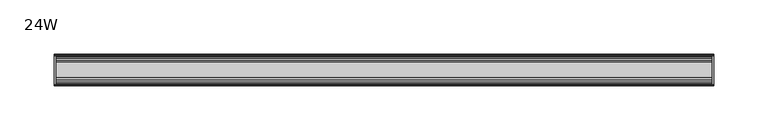
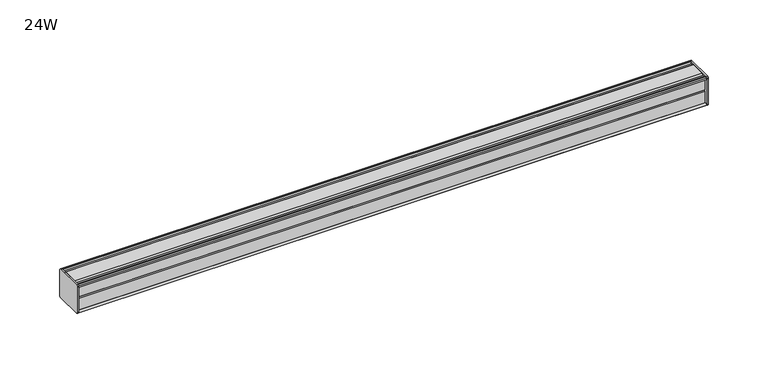
"""IFC4 building model written with IfcOpenShell, lengths in millimetres: furniture geometry, 24W."""

from ifc_helpers import new_model, si_unit, frame, origin, place, context, project, spatial, circle_curve, source, transform, mapped, element, save
from ifc_brep_helpers import plane_surface, cylinder_surface, advanced_brep


def furniture_24w_0eafdb13(model_context):
    return source(origin(), model_context, "Body", "AdvancedBrep", [
        advanced_brep(
        [(303.2125, 14.5851562, 1246.9436262), (303.2125, 14.5851562, 1220.7932877), (303.2125, 14.4138595, 1219.9873997), (303.2125, 13.8374434, 1219.4109837), (303.2125, 12.9019306, 1219.1603131), (303.2125, -13.4067434, 1219.1603131), (303.2125, -14.3040014, 1220.0575711), (303.2125, -14.5851563, 1220.8259798), (303.2125, -14.5851563, 1246.7443327), (303.2125, -14.3040014, 1247.5127414), (303.2125, -13.4464303, 1248.3703125), (303.2125, 13.0500437, 1248.3703125), (303.2125, 13.8374434, 1248.1593288), (303.2125, 14.4138595, 1247.5829128), (304.8, 14.6248431, 1246.7955131), (304.8, 14.4138595, 1247.5829128), (304.8, 13.8374434, 1248.1593288), (304.8, 13.0500437, 1248.3703125), (304.8, -13.4464303, 1248.3703125), (304.8, -14.3040014, 1247.5127414), (304.8, -14.5851563, 1246.7443327), (304.8, -14.5851563, 1220.8259798), (304.8, -14.3040014, 1220.0575711), (304.8, -13.4067434, 1219.1603131), (304.8, 12.9019306, 1219.1603131), (304.8, 13.8374434, 1219.4109837), (304.8, 14.4138595, 1219.9873997), (304.8, 14.5851562, 1220.7932877)],
        [
            (0, 1),
            (1, 2),
            (2, 3),
            (3, 4),
            (4, 5),
            (5, 6),
            (6, 7, circle_curve(frame((303.2125, -13.3945313, 1220.8259798), z_axis=(-1.0, 0.0, 0.0), x_axis=(0.0, 1.0, 0.0)), 1.190625)),
            (7, 8),
            (8, 9, circle_curve(frame((303.2125, -13.3945313, 1246.7443327), z_axis=(-1.0, 0.0, 0.0), x_axis=(0.0, 1.0, 0.0)), 1.190625)),
            (9, 10),
            (10, 11),
            (11, 12),
            (12, 13),
            (13, 0),
            (14, 15),
            (15, 16),
            (16, 17),
            (17, 18),
            (18, 19),
            (19, 20, circle_curve(frame((304.8, -13.3945313, 1246.7443327), z_axis=(1.0, 0.0, 0.0), x_axis=(0.0, 1.0, 0.0)), 1.190625)),
            (20, 21),
            (21, 22, circle_curve(frame((304.8, -13.3945313, 1220.8259798), z_axis=(1.0, 0.0, 0.0), x_axis=(0.0, 1.0, 0.0)), 1.190625)),
            (22, 23),
            (23, 24),
            (24, 25),
            (25, 26),
            (26, 27),
            (27, 14),
            (13, 15),
            (14, 0),
            (12, 16),
            (11, 17),
            (10, 18),
            (9, 19),
            (8, 20),
            (7, 21),
            (6, 22),
            (5, 23),
            (4, 24),
            (3, 25),
            (2, 26),
            (1, 27),
        ],
        [
            plane_surface(frame((303.2125, 14.5851562, 1220.7932877), z_axis=(-1.0, 0.0, 0.0), x_axis=(0.0, 0.0, -1.0))),
            plane_surface(frame((304.8, 14.5851562, 1220.7932877), z_axis=(1.0, 0.0, 0.0), x_axis=(0.0, 0.0, 1.0))),
            plane_surface(frame((303.2125, 14.4138595, 1247.5829128), z_axis=(0.0, 0.9659256560349851, 0.25881968049857335), x_axis=(1.0, 0.0, 0.0))),
            plane_surface(frame((303.2125, 13.8374434, 1248.1593288), z_axis=(0.0, 0.7071067811866345, 0.7071067811864606), x_axis=(1.0, 0.0, 0.0))),
            plane_surface(frame((303.2125, 13.0500437, 1248.3703125), z_axis=(0.0, 0.2588196804711877, 0.9659256560423232), x_axis=(1.0, 0.0, 0.0))),
            plane_surface(frame((303.2125, -13.4464303, 1248.3703125), z_axis=(0.0, 0.0, 1.0), x_axis=(1.0, 0.0, 0.0))),
            plane_surface(frame((303.2125, -14.3040014, 1247.5127414), z_axis=(0.0, -0.70710678117674, 0.7071067811963553), x_axis=(1.0, 0.0, 0.0))),
            cylinder_surface(frame((304.8, -13.3945313, 1246.7443327), z_axis=(-1.0, 0.0, 0.0), x_axis=(0.0, 1.0, 0.0)), 1.190625),
            plane_surface(frame((303.2125, -14.5851563, 1220.8259798), z_axis=(0.0, -1.0, 0.0), x_axis=(1.0, 0.0, 0.0))),
            cylinder_surface(frame((304.8, -13.3945313, 1220.8259798), z_axis=(-1.0, 0.0, 0.0), x_axis=(0.0, 1.0, 0.0)), 1.190625),
            plane_surface(frame((303.2125, -13.4067434, 1219.1603131), z_axis=(0.0, -0.7071067811916553, -0.7071067811814398), x_axis=(1.0, 0.0, 0.0))),
            plane_surface(frame((303.2125, 12.9019306, 1219.1603131), z_axis=(0.0, 0.0, -1.0), x_axis=(1.0, 0.0, 0.0))),
            plane_surface(frame((303.2125, 13.8374434, 1219.4109837), z_axis=(0.0, 0.2588196804985645, -0.9659256560349875), x_axis=(1.0, 0.0, 0.0))),
            plane_surface(frame((303.2125, 14.4138595, 1219.9873997), z_axis=(0.0, 0.7071067811865204, -0.7071067811865748), x_axis=(1.0, 0.0, 0.0))),
            plane_surface(frame((303.2125, 14.5851562, 1220.7932877), z_axis=(0.0, 0.9781476007310527, -0.207911690830711), x_axis=(1.0, 0.0, 0.0))),
            plane_surface(frame((303.2125, 14.5851562, 1246.9436262), z_axis=(0.0, 1.0, 0.0), x_axis=(1.0, 0.0, 0.0))),
        ],
        [
            (0, [[1, 2, 3, 4, 5, 6, 7, 8, 9, 10, 11, 12, 13, 14]]),
            (1, [[15, 16, 17, 18, 19, 20, 21, 22, 23, 24, 25, 26, 27, 28]]),
            (2, [[-14, 29, -15, 30]]),
            (3, [[-13, 31, -16, -29]]),
            (4, [[-12, 32, -17, -31]]),
            (5, [[-11, 33, -18, -32]]),
            (6, [[-10, 34, -19, -33]]),
            (7, [[-9, 35, -20, -34]]),
            (8, [[-8, 36, -21, -35]]),
            (9, [[-7, 37, -22, -36]]),
            (10, [[-6, 38, -23, -37]]),
            (11, [[-5, 39, -24, -38]]),
            (12, [[-4, 40, -25, -39]]),
            (13, [[-3, 41, -26, -40]]),
            (14, [[-2, 42, -27, -41]]),
            (15, [[-1, -30, -28, -42]]),
        ],
    ),
        advanced_brep(
        [(-303.2125, 14.6248431, 1246.7955131), (-303.2125, 14.4138595, 1247.5829128), (-303.2125, 13.8374434, 1248.1593288), (-303.2125, 13.0500437, 1248.3703125), (-303.2125, -13.4464303, 1248.3703125), (-303.2125, -14.3040014, 1247.5127414), (-303.2125, -14.5851563, 1246.7443327), (-303.2125, -14.5851563, 1220.8259798), (-303.2125, -14.3040014, 1220.0575711), (-303.2125, -13.4067434, 1219.1603131), (-303.2125, 12.9019306, 1219.1603131), (-303.2125, 13.8374434, 1219.4109837), (-303.2125, 14.4138595, 1219.9873997), (-303.2125, 14.5851562, 1220.7932877), (-304.8, 14.5851562, 1246.9436262), (-304.8, 14.5851562, 1220.7932877), (-304.8, 14.4138595, 1219.9873997), (-304.8, 13.8374434, 1219.4109837), (-304.8, 12.9019306, 1219.1603131), (-304.8, -13.4067434, 1219.1603131), (-304.8, -14.3040014, 1220.0575711), (-304.8, -14.5851563, 1220.8259798), (-304.8, -14.5851563, 1246.7443327), (-304.8, -14.3040014, 1247.5127414), (-304.8, -13.4464303, 1248.3703125), (-304.8, 13.0500437, 1248.3703125), (-304.8, 13.8374434, 1248.1593288), (-304.8, 14.4138595, 1247.5829128)],
        [
            (0, 1),
            (1, 2),
            (2, 3),
            (3, 4),
            (4, 5),
            (5, 6, circle_curve(frame((-303.2125, -13.3945313, 1246.7443327), z_axis=(1.0, 0.0, 0.0), x_axis=(0.0, 1.0, 0.0)), 1.190625)),
            (6, 7),
            (7, 8, circle_curve(frame((-303.2125, -13.3945313, 1220.8259798), z_axis=(1.0, 0.0, 0.0), x_axis=(0.0, 1.0, 0.0)), 1.190625)),
            (8, 9),
            (9, 10),
            (10, 11),
            (11, 12),
            (12, 13),
            (13, 0),
            (14, 15),
            (15, 16),
            (16, 17),
            (17, 18),
            (18, 19),
            (19, 20),
            (20, 21, circle_curve(frame((-304.8, -13.3945313, 1220.8259798), z_axis=(-1.0, 0.0, 0.0), x_axis=(0.0, 1.0, 0.0)), 1.190625)),
            (21, 22),
            (22, 23, circle_curve(frame((-304.8, -13.3945313, 1246.7443327), z_axis=(-1.0, 0.0, 0.0), x_axis=(0.0, 1.0, 0.0)), 1.190625)),
            (23, 24),
            (24, 25),
            (25, 26),
            (26, 27),
            (27, 14),
            (0, 14),
            (27, 1),
            (26, 2),
            (25, 3),
            (24, 4),
            (23, 5),
            (22, 6),
            (21, 7),
            (20, 8),
            (19, 9),
            (18, 10),
            (17, 11),
            (16, 12),
            (15, 13),
        ],
        [
            plane_surface(frame((-303.2125, 14.6248431, 1246.7955131), z_axis=(1.0, 0.0, 0.0), x_axis=(0.0, -0.2588196804390474, 0.965925656050935))),
            plane_surface(frame((-304.8, 14.6248431, 1246.7955131), z_axis=(-1.0, 0.0, 0.0), x_axis=(0.0, 0.2588196804390474, -0.965925656050935))),
            plane_surface(frame((-303.2125, 14.6248431, 1246.7955131), z_axis=(0.0, 0.965925656050935, 0.2588196804390474), x_axis=(-1.0, 0.0, 0.0))),
            plane_surface(frame((-303.2125, 14.4138595, 1247.5829128), z_axis=(0.0, 0.7071067810676273, 0.7071067813054679), x_axis=(-1.0, 0.0, 0.0))),
            plane_surface(frame((-303.2125, 13.8374434, 1248.1593288), z_axis=(0.0, 0.25881968048355775, 0.9659256560390086), x_axis=(-1.0, 0.0, 0.0))),
            plane_surface(frame((-303.2125, 13.0500437, 1248.3703125), z_axis=(0.0, 0.0, 1.0), x_axis=(-1.0, 0.0, 0.0))),
            plane_surface(frame((-303.2125, -13.4464303, 1248.3703125), z_axis=(0.0, -0.7071067811880228, 0.7071067811850722), x_axis=(-1.0, 0.0, 0.0))),
            cylinder_surface(frame((-304.8, -13.3945313, 1246.7443327), z_axis=(1.0, 0.0, 0.0), x_axis=(0.0, 1.0, 0.0)), 1.190625),
            plane_surface(frame((-303.2125, -14.5851563, 1246.7443327), z_axis=(0.0, -1.0, 0.0), x_axis=(-1.0, 0.0, 0.0))),
            cylinder_surface(frame((-304.8, -13.3945313, 1220.8259798), z_axis=(1.0, 0.0, 0.0), x_axis=(0.0, 1.0, 0.0)), 1.190625),
            plane_surface(frame((-303.2125, -14.3040014, 1220.0575711), z_axis=(0.0, -0.7071067811865341, -0.7071067811865609), x_axis=(-1.0, 0.0, 0.0))),
            plane_surface(frame((-303.2125, -13.4067434, 1219.1603131), z_axis=(0.0, 0.0, -1.0), x_axis=(-1.0, 0.0, 0.0))),
            plane_surface(frame((-303.2125, 12.9019306, 1219.1603131), z_axis=(0.0, 0.25881968049856513, -0.9659256560349874), x_axis=(-1.0, 0.0, 0.0))),
            plane_surface(frame((-303.2125, 13.8374434, 1219.4109837), z_axis=(0.0, 0.707106781186519, -0.7071067811865761), x_axis=(-1.0, 0.0, 0.0))),
            plane_surface(frame((-303.2125, 14.4138595, 1219.9873997), z_axis=(0.0, 0.9781476007314348, -0.20791169082891317), x_axis=(-1.0, 0.0, 0.0))),
            plane_surface(frame((-303.2125, 14.5851562, 1220.7932877), z_axis=(0.0, 1.0, 0.0), x_axis=(-1.0, 0.0, 0.0))),
        ],
        [
            (0, [[1, 2, 3, 4, 5, 6, 7, 8, 9, 10, 11, 12, 13, 14]]),
            (1, [[15, 16, 17, 18, 19, 20, 21, 22, 23, 24, 25, 26, 27, 28]]),
            (2, [[-1, 29, -28, 30]]),
            (3, [[-2, -30, -27, 31]]),
            (4, [[-3, -31, -26, 32]]),
            (5, [[-4, -32, -25, 33]]),
            (6, [[-5, -33, -24, 34]]),
            (7, [[-6, -34, -23, 35]]),
            (8, [[-7, -35, -22, 36]]),
            (9, [[-8, -36, -21, 37]]),
            (10, [[-9, -37, -20, 38]]),
            (11, [[-10, -38, -19, 39]]),
            (12, [[-11, -39, -18, 40]]),
            (13, [[-12, -40, -17, 41]]),
            (14, [[-13, -41, -16, 42]]),
            (15, [[-14, -42, -15, -29]]),
        ],
    ),
        advanced_brep(
        [(303.2125, -7.3748315, 1248.3703125), (303.2125, -8.9105708, 1247.3395796), (303.2125, -10.7601399, 1247.3395796), (303.2125, -12.2958792, 1248.3703125), (303.2125, -13.4464303, 1248.3703125), (303.2125, -14.3040014, 1247.5127414), (303.2125, -13.3945313, 1245.5537077), (303.2125, -13.3945313, 1246.465312), (303.2125, -12.2039063, 1246.465312), (303.2125, -12.2039063, 1234.5590632), (303.2125, -11.4101564, 1233.7653134), (303.2125, -12.2039063, 1232.9715636), (303.2125, -12.2039063, 1221.0653131), (303.2125, -13.3945313, 1221.0653131), (303.2125, -13.3945313, 1222.0166048), (303.2125, -14.3040014, 1220.0575711), (303.2125, -13.4067434, 1219.1603131), (303.2125, -12.2958792, 1219.1603131), (303.2125, -10.7601399, 1220.1910471), (303.2125, -8.9105708, 1220.1910471), (303.2125, -7.4339628, 1219.2), (303.2125, 7.4145184, 1219.2), (303.2125, 8.9502576, 1220.2307329), (303.2125, 10.7998291, 1220.2307329), (303.2125, 12.2275037, 1219.2), (303.2125, 13.0500437, 1219.2), (303.2125, 13.8374434, 1219.4109837), (303.2125, 14.4138595, 1219.9873997), (303.2125, 14.5851562, 1220.7932877), (303.2125, 14.5851562, 1246.9436262), (303.2125, 14.4138595, 1247.5829128), (303.2125, 13.8374434, 1248.1593288), (303.2125, 13.0500437, 1248.3703125), (303.2125, 12.2275037, 1248.3703125), (303.2125, 10.7998291, 1247.3395796), (303.2125, 8.9502576, 1247.3395796), (303.2125, 7.4145184, 1248.3703125), (-303.2125, -7.3748315, 1248.3703125), (-303.2125, 7.4145184, 1248.3703125), (-303.2125, 8.9502576, 1247.3395796), (-303.2125, 10.7998291, 1247.3395796), (-303.2125, 12.2275037, 1248.3703125), (-303.2125, 13.0500437, 1248.3703125), (-303.2125, 13.8374434, 1248.1593288), (-303.2125, 14.4138595, 1247.5829128), (-303.2125, 14.6248431, 1246.7955131), (-303.2125, 14.5851562, 1220.7932877), (-303.2125, 14.4138595, 1219.9873997), (-303.2125, 13.8374434, 1219.4109837), (-303.2125, 13.0500437, 1219.2), (-303.2125, 12.2275037, 1219.2), (-303.2125, 10.7998291, 1220.2307329), (-303.2125, 8.9502576, 1220.2307329), (-303.2125, 7.4145184, 1219.2), (-303.2125, -7.4339628, 1219.2), (-303.2125, -8.9105708, 1220.1910471), (-303.2125, -10.7601399, 1220.1910471), (-303.2125, -12.2958792, 1219.1603131), (-303.2125, -13.4067434, 1219.1603131), (-303.2125, -14.3040014, 1220.0575711), (-303.2125, -13.3945313, 1222.0166048), (-303.2125, -13.3945313, 1221.0653131), (-303.2125, -12.2039063, 1221.0653131), (-303.2125, -12.2039063, 1232.9715636), (-303.2125, -11.4101564, 1233.7653134), (-303.2125, -12.2039063, 1234.5590632), (-303.2125, -12.2039063, 1246.465312), (-303.2125, -13.3945313, 1246.465312), (-303.2125, -13.3945313, 1245.5537077), (-303.2125, -14.3040014, 1247.5127414), (-303.2125, -13.4464303, 1248.3703125), (-303.2125, -12.2958792, 1248.3703125), (-303.2125, -10.7601399, 1247.3395796), (-303.2125, -8.9105708, 1247.3395796)],
        [
            (0, 1),
            (1, 2),
            (2, 3),
            (3, 4),
            (4, 5),
            (5, 6, circle_curve(frame((303.2125, -13.3945313, 1246.7443327), z_axis=(1.0, 0.0, 0.0), x_axis=(0.0, 1.0, 0.0)), 1.190625)),
            (6, 7),
            (7, 8),
            (8, 9),
            (9, 10),
            (10, 11),
            (11, 12),
            (12, 13),
            (13, 14),
            (14, 15, circle_curve(frame((303.2125, -13.3945313, 1220.8259798), z_axis=(1.0, 0.0, 0.0), x_axis=(0.0, 1.0, 0.0)), 1.190625)),
            (15, 16),
            (16, 17),
            (17, 18),
            (18, 19),
            (19, 20),
            (20, 21),
            (21, 22),
            (22, 23),
            (23, 24),
            (24, 25),
            (25, 26),
            (26, 27),
            (27, 28),
            (28, 29),
            (29, 30),
            (30, 31),
            (31, 32),
            (32, 33),
            (33, 34),
            (34, 35),
            (35, 36),
            (36, 0),
            (37, 38),
            (38, 39),
            (39, 40),
            (40, 41),
            (41, 42),
            (42, 43),
            (43, 44),
            (44, 45),
            (45, 46),
            (46, 47),
            (47, 48),
            (48, 49),
            (49, 50),
            (50, 51),
            (51, 52),
            (52, 53),
            (53, 54),
            (54, 55),
            (55, 56),
            (56, 57),
            (57, 58),
            (58, 59),
            (59, 60, circle_curve(frame((-303.2125, -13.3945313, 1220.8259798), z_axis=(-1.0, 0.0, 0.0), x_axis=(0.0, 1.0, 0.0)), 1.190625)),
            (60, 61),
            (61, 62),
            (62, 63),
            (63, 64),
            (64, 65),
            (65, 66),
            (66, 67),
            (67, 68),
            (68, 69, circle_curve(frame((-303.2125, -13.3945313, 1246.7443327), z_axis=(-1.0, 0.0, 0.0), x_axis=(0.0, 1.0, 0.0)), 1.190625)),
            (69, 70),
            (70, 71),
            (71, 72),
            (72, 73),
            (73, 37),
            (0, 37),
            (73, 1),
            (72, 2),
            (71, 3),
            (70, 4),
            (69, 5),
            (68, 6),
            (67, 7),
            (66, 8),
            (65, 9),
            (64, 10),
            (63, 11),
            (62, 12),
            (61, 13),
            (60, 14),
            (59, 15),
            (58, 16),
            (57, 17),
            (56, 18),
            (55, 19),
            (54, 20),
            (53, 21),
            (52, 22),
            (51, 23),
            (50, 24),
            (49, 25),
            (48, 26),
            (47, 27),
            (46, 28),
            (45, 29),
            (44, 30),
            (43, 31),
            (42, 32),
            (41, 33),
            (40, 34),
            (39, 35),
            (38, 36),
        ],
        [
            plane_surface(frame((303.2125, -7.3748315, 1248.3703125), z_axis=(1.0, 0.0, 0.0), x_axis=(0.0, -0.8303227972604666, -0.5572827400427488))),
            plane_surface(frame((-303.2125, -7.3748315, 1248.3703125), z_axis=(-1.0, 0.0, 0.0), x_axis=(0.0, 0.8303227972604666, 0.5572827400427488))),
            plane_surface(frame((303.2125, -7.3748315, 1248.3703125), z_axis=(0.0, -0.5572827400427488, 0.8303227972604666), x_axis=(-1.0, 0.0, 0.0))),
            plane_surface(frame((303.2125, -8.9105708, 1247.3395796), z_axis=(0.0, 0.0, 1.0), x_axis=(-1.0, 0.0, 0.0))),
            plane_surface(frame((303.2125, -10.7601399, 1247.3395796), z_axis=(0.0, 0.5572827400427491, 0.8303227972604665), x_axis=(-1.0, 0.0, 0.0))),
            plane_surface(frame((303.2125, -12.2958792, 1248.3703125), z_axis=(0.0, 0.0, 1.0), x_axis=(-1.0, 0.0, 0.0))),
            plane_surface(frame((303.2125, -13.4464303, 1248.3703125), z_axis=(0.0, -0.7071067811810978, 0.7071067811919972), x_axis=(-1.0, 0.0, 0.0))),
            cylinder_surface(frame((-303.2125, -13.3945313, 1246.7443327), z_axis=(1.0, 0.0, 0.0), x_axis=(0.0, 1.0, 0.0)), 1.190625),
            plane_surface(frame((303.2125, -13.3945313, 1245.5537077), z_axis=(0.0, 1.0, 0.0), x_axis=(-1.0, 0.0, 0.0))),
            plane_surface(frame((303.2125, -13.3945313, 1246.465312), z_axis=(0.0, 0.0, -1.0), x_axis=(-1.0, 0.0, 0.0))),
            plane_surface(frame((303.2125, -12.2039063, 1246.465312), z_axis=(0.0, -1.0, 0.0), x_axis=(-1.0, 0.0, 0.0))),
            plane_surface(frame((303.2125, -12.2039063, 1234.5590632), z_axis=(0.0, -0.7071067811865155, -0.7071067811865795), x_axis=(-1.0, 0.0, 0.0))),
            plane_surface(frame((303.2125, -11.4101564, 1233.7653134), z_axis=(0.0, -0.7071067811865522, 0.7071067811865428), x_axis=(-1.0, 0.0, 0.0))),
            plane_surface(frame((303.2125, -12.2039063, 1232.9715636), z_axis=(0.0, -1.0, 0.0), x_axis=(-1.0, 0.0, 0.0))),
            plane_surface(frame((303.2125, -12.2039063, 1221.0653131), z_axis=(0.0, 0.0, 1.0), x_axis=(-1.0, 0.0, 0.0))),
            plane_surface(frame((303.2125, -13.3945313, 1221.0653131), z_axis=(0.0, 1.0, 0.0), x_axis=(-1.0, 0.0, 0.0))),
            cylinder_surface(frame((-303.2125, -13.3945313, 1220.8259798), z_axis=(1.0, 0.0, 0.0), x_axis=(0.0, 1.0, 0.0)), 1.190625),
            plane_surface(frame((303.2125, -14.3040014, 1220.0575711), z_axis=(0.0, -0.7071067811865892, -0.7071067811865058), x_axis=(-1.0, 0.0, 0.0))),
            plane_surface(frame((303.2125, -13.4067434, 1219.1603131), z_axis=(0.0, 0.0, -1.0), x_axis=(-1.0, 0.0, 0.0))),
            plane_surface(frame((303.2125, -12.2958792, 1219.1603131), z_axis=(0.0, 0.5572831632988446, -0.8303225131860712), x_axis=(-1.0, 0.0, 0.0))),
            plane_surface(frame((303.2125, -10.7601399, 1220.1910471), z_axis=(0.0, 0.0, -1.0), x_axis=(-1.0, 0.0, 0.0))),
            plane_surface(frame((303.2125, -8.9105708, 1220.1910471), z_axis=(0.0, -0.5572831633038827, -0.8303225131826898), x_axis=(-1.0, 0.0, 0.0))),
            plane_surface(frame((303.2125, -7.4339628, 1219.2), z_axis=(0.0, 0.0, -1.0), x_axis=(-1.0, 0.0, 0.0))),
            plane_surface(frame((303.2125, 7.4145184, 1219.2), z_axis=(0.0, 0.5572827400524372, -0.8303227972539643), x_axis=(-1.0, 0.0, 0.0))),
            plane_surface(frame((303.2125, 8.9502576, 1220.2307329), z_axis=(0.0, 0.0, -1.0), x_axis=(-1.0, 0.0, 0.0))),
            plane_surface(frame((303.2125, 10.7998291, 1220.2307329), z_axis=(0.0, -0.5853541342124147, -0.8107777362264177), x_axis=(-1.0, 0.0, 0.0))),
            plane_surface(frame((303.2125, 12.2275037, 1219.2), z_axis=(0.0, 0.0, -1.0), x_axis=(-1.0, 0.0, 0.0))),
            plane_surface(frame((303.2125, 13.0500437, 1219.2), z_axis=(0.0, 0.2588196804985639, -0.9659256560349877), x_axis=(-1.0, 0.0, 0.0))),
            plane_surface(frame((303.2125, 13.8374434, 1219.4109837), z_axis=(0.0, 0.7071067811865592, -0.7071067811865358), x_axis=(-1.0, 0.0, 0.0))),
            plane_surface(frame((303.2125, 14.4138595, 1219.9873997), z_axis=(0.0, 0.9781476007314349, -0.20791169082891267), x_axis=(-1.0, 0.0, 0.0))),
            plane_surface(frame((303.2125, 14.5851562, 1220.7932877), z_axis=(0.0, 1.0, 0.0), x_axis=(-1.0, 0.0, 0.0))),
            plane_surface(frame((303.2125, 14.6248431, 1246.7955131), z_axis=(0.0, 0.9659256560510463, 0.25881968043863257), x_axis=(-1.0, 0.0, 0.0))),
            plane_surface(frame((303.2125, 14.4138595, 1247.5829128), z_axis=(0.0, 0.707106781066662, 0.707106781306433), x_axis=(-1.0, 0.0, 0.0))),
            plane_surface(frame((303.2125, 13.8374434, 1248.1593288), z_axis=(0.0, 0.25881968048369114, 0.9659256560389728), x_axis=(-1.0, 0.0, 0.0))),
            plane_surface(frame((303.2125, 13.0500437, 1248.3703125), z_axis=(0.0, 0.0, 1.0), x_axis=(-1.0, 0.0, 0.0))),
            plane_surface(frame((303.2125, 12.2275037, 1248.3703125), z_axis=(0.0, -0.5853541342075637, 0.8107777362299199), x_axis=(-1.0, 0.0, 0.0))),
            plane_surface(frame((303.2125, 10.7998291, 1247.3395796), z_axis=(0.0, 0.0, 1.0), x_axis=(-1.0, 0.0, 0.0))),
            plane_surface(frame((303.2125, 8.9502576, 1247.3395796), z_axis=(0.0, 0.5572827400427491, 0.8303227972604665), x_axis=(-1.0, 0.0, 0.0))),
            plane_surface(frame((303.2125, 7.4145184, 1248.3703125), z_axis=(0.0, 0.0, 1.0), x_axis=(-1.0, 0.0, 0.0))),
        ],
        [
            (0, [[1, 2, 3, 4, 5, 6, 7, 8, 9, 10, 11, 12, 13, 14, 15, 16, 17, 18, 19, 20, 21, 22, 23, 24, 25, 26, 27, 28, 29, 30, 31, 32, 33, 34, 35, 36, 37]]),
            (1, [[38, 39, 40, 41, 42, 43, 44, 45, 46, 47, 48, 49, 50, 51, 52, 53, 54, 55, 56, 57, 58, 59, 60, 61, 62, 63, 64, 65, 66, 67, 68, 69, 70, 71, 72, 73, 74]]),
            (2, [[-1, 75, -74, 76]]),
            (3, [[-2, -76, -73, 77]]),
            (4, [[-3, -77, -72, 78]]),
            (5, [[-4, -78, -71, 79]]),
            (6, [[-5, -79, -70, 80]]),
            (7, [[-6, -80, -69, 81]]),
            (8, [[-7, -81, -68, 82]]),
            (9, [[-8, -82, -67, 83]]),
            (10, [[-9, -83, -66, 84]]),
            (11, [[-10, -84, -65, 85]]),
            (12, [[-11, -85, -64, 86]]),
            (13, [[-12, -86, -63, 87]]),
            (14, [[-13, -87, -62, 88]]),
            (15, [[-14, -88, -61, 89]]),
            (16, [[-15, -89, -60, 90]]),
            (17, [[-16, -90, -59, 91]]),
            (18, [[-17, -91, -58, 92]]),
            (19, [[-18, -92, -57, 93]]),
            (20, [[-19, -93, -56, 94]]),
            (21, [[-20, -94, -55, 95]]),
            (22, [[-21, -95, -54, 96]]),
            (23, [[-22, -96, -53, 97]]),
            (24, [[-23, -97, -52, 98]]),
            (25, [[-24, -98, -51, 99]]),
            (26, [[-25, -99, -50, 100]]),
            (27, [[-26, -100, -49, 101]]),
            (28, [[-27, -101, -48, 102]]),
            (29, [[-28, -102, -47, 103]]),
            (30, [[-29, -103, -46, 104]]),
            (31, [[-30, -104, -45, 105]]),
            (32, [[-31, -105, -44, 106]]),
            (33, [[-32, -106, -43, 107]]),
            (34, [[-33, -107, -42, 108]]),
            (35, [[-34, -108, -41, 109]]),
            (36, [[-35, -109, -40, 110]]),
            (37, [[-36, -110, -39, 111]]),
            (38, [[-37, -111, -38, -75]]),
        ],
    ),
    ])


if __name__ == "__main__":
    model = new_model("IFC4")
    model_context = context("Model", 3, world=origin())
    ifc_project = project(units=[si_unit("LENGTHUNIT", "METRE", prefix="MILLI")], contexts=[model_context])
    site = spatial("IfcSite", under=ifc_project)
    building = spatial("IfcBuilding", under=site)
    placement = place(None, origin())
    furniture_24w_shape = furniture_24w_0eafdb13(model_context)
    element("IfcFurniture", 1, ObjectType="24W", at=placement, inside=building, context=model_context, shape_type="MappedRepresentation", body=[
        mapped(furniture_24w_shape, transform((0.0, 0.0, 0.0), x_axis=(1.0, 0.0, 0.0), y_axis=(0.0, 1.0, 0.0), z_axis=(0.0, 0.0, 1.0))),
    ])
    save(model, "model.ifc")
